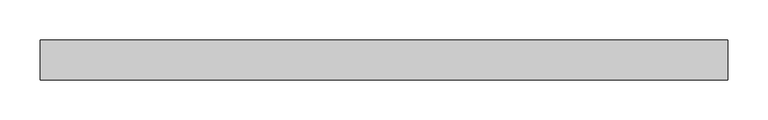
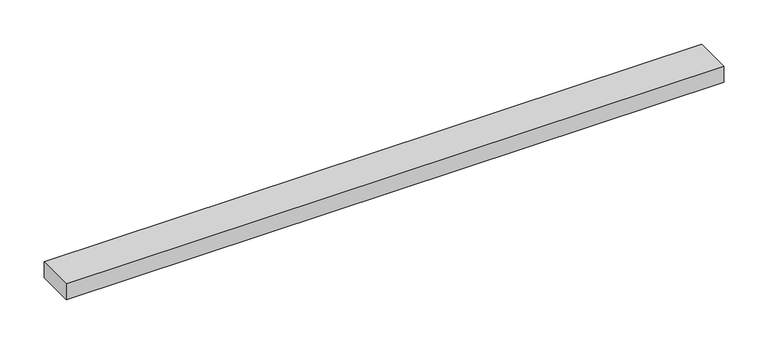
"""IFC4 building model written with IfcOpenShell, lengths in millimetres: beam geometry."""

from ifc_helpers import new_model, si_unit, frame, origin, place, context, project, spatial, polyline, outline, extrude, source, transform, mapped, element, save


def beam_d06c6a9b(model_context):
    return source(origin(), model_context, "Body", "SweptSolid", [
        extrude(outline(polyline([(429.7753265, 25.0), (429.7753265, -25.0), (-429.7753259, -25.0), (-429.7753259, 25.0), (429.7753265, 25.0)])), frame((0.0, 0.0, -11.0), z_axis=(0.0, 0.0, 1.0), x_axis=(1.0, 0.0, 0.0)), (0.0, 0.0, 1.0), 22.0),
    ])


if __name__ == "__main__":
    model = new_model("IFC4")
    model_context = context("Model", 3, world=origin())
    ifc_project = project(units=[si_unit("LENGTHUNIT", "METRE", prefix="MILLI")], contexts=[model_context])
    site = spatial("IfcSite", under=ifc_project)
    building = spatial("IfcBuilding", under=site)
    placement = place(None, origin())
    beam_shape = beam_d06c6a9b(model_context)
    element("IfcBeam", 1, at=placement, inside=building, context=model_context, shape_type="MappedRepresentation", body=[
        mapped(beam_shape, transform((0.0, 0.0, 0.0), x_axis=(1.0, 0.0, 0.0), y_axis=(0.0, 1.0, 0.0), z_axis=(0.0, 0.0, 1.0))),
    ])
    save(model, "model.ifc")
